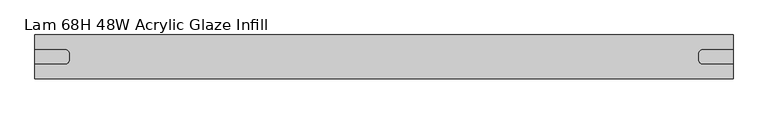
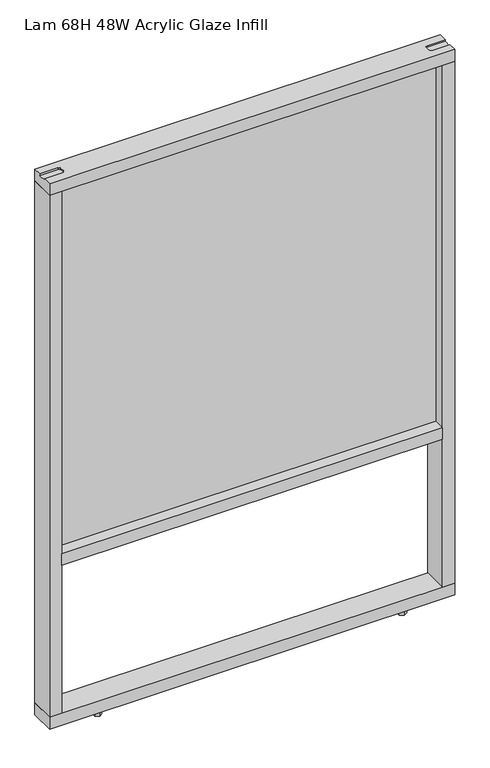
"""IFC4 building model written with IfcOpenShell, lengths in millimetres: furniture geometry, Lam 68H 48W Acrylic Glaze Infill."""

from ifc_helpers import new_model, si_unit, frame, origin, origin_with_axes, place, context, project, spatial, polyline, circle_curve, outline, extrude, faceted_brep, source, transform, mapped, element, save
from ifc_brep_helpers import plane_surface, revolved_surface, advanced_brep


def lam_68h_48w_acrylic_glaze_infill_cd1d17b7(model_context):
    return source(origin(), model_context, "Body", "SolidModel", [
        extrude(outline(polyline([(1185.164, 41.7322), (1185.164, 34.4678), (43.307, 34.4678), (43.307, 41.7322), (1185.164, 41.7322)])), frame((0.0, 0.0, 556.0822), z_axis=(0.0, 0.0, 1.0), x_axis=(1.0, 0.0, 0.0)), (0.0, 0.0, 1.0), 1149.8326),
        advanced_brep(
        [(1222.248, 0.0, 1742.9988), (6.223, 0.0, 1742.9988), (6.223, 0.0, 1705.9148), (1222.248, 0.0, 1705.9148), (1222.248, 76.2, 1742.9988), (1222.248, 76.2, 1705.9148), (6.223, 76.2, 1705.9148), (6.223, 76.2, 1742.9988), (1222.248, 25.3492, 1742.9988), (1168.273, 25.3492, 1742.9988), (1161.923, 31.6992, 1742.9988), (1161.923, 44.5008, 1742.9988), (1168.273, 50.8508, 1742.9988), (1222.248, 50.8508, 1742.9988), (6.223, 50.8508, 1742.9988), (60.198, 50.8508, 1742.9988), (66.548, 44.5008, 1742.9988), (66.548, 31.6992, 1742.9988), (60.198, 25.3492, 1742.9988), (6.223, 25.3492, 1742.9988), (6.223, 25.3492, 1737.9188), (6.223, 50.8508, 1737.9188), (1222.248, 50.8508, 1737.9188), (1222.248, 25.3492, 1737.9188), (60.198, 50.8508, 1737.9188), (60.198, 25.3492, 1737.9188), (66.548, 31.6992, 1737.9188), (66.548, 44.5008, 1737.9188), (1168.273, 50.8508, 1737.9188), (1161.923, 44.5008, 1737.9188), (1161.923, 31.6992, 1737.9188), (1168.273, 25.3492, 1737.9188)],
        [
            (0, 1),
            (1, 2),
            (2, 3),
            (3, 0),
            (4, 5),
            (5, 6),
            (6, 7),
            (7, 4),
            (0, 8),
            (8, 9),
            (9, 10, circle_curve(frame((1168.273, 31.6992, 1742.9988), z_axis=(0.0, 0.0, -1.0), x_axis=(1.0, 0.0, 0.0)), 6.35)),
            (10, 11),
            (11, 12, circle_curve(frame((1168.273, 44.5008, 1742.9988), z_axis=(0.0, 0.0, -1.0), x_axis=(1.0, 0.0, 0.0)), 6.35)),
            (12, 13),
            (13, 4),
            (7, 14),
            (14, 15),
            (15, 16, circle_curve(frame((60.198, 44.5008, 1742.9988), z_axis=(0.0, 0.0, -1.0), x_axis=(1.0, 0.0, 0.0)), 6.35)),
            (16, 17),
            (17, 18, circle_curve(frame((60.198, 31.6992, 1742.9988), z_axis=(0.0, 0.0, -1.0), x_axis=(1.0, 0.0, 0.0)), 6.35)),
            (18, 19),
            (19, 1),
            (19, 20),
            (20, 21),
            (21, 14),
            (6, 2),
            (5, 3),
            (13, 22),
            (22, 23),
            (23, 8),
            (24, 21),
            (20, 25),
            (25, 26, circle_curve(frame((60.198, 31.6992, 1737.9188), z_axis=(0.0, 0.0, 1.0), x_axis=(1.0, 0.0, 0.0)), 6.35)),
            (26, 27),
            (27, 24, circle_curve(frame((60.198, 44.5008, 1737.9188), z_axis=(0.0, 0.0, 1.0), x_axis=(1.0, 0.0, 0.0)), 6.35)),
            (28, 29, circle_curve(frame((1168.273, 44.5008, 1737.9188), z_axis=(0.0, 0.0, 1.0), x_axis=(1.0, 0.0, 0.0)), 6.35)),
            (29, 30),
            (30, 31, circle_curve(frame((1168.273, 31.6992, 1737.9188), z_axis=(0.0, 0.0, 1.0), x_axis=(1.0, 0.0, 0.0)), 6.35)),
            (31, 23),
            (22, 28),
            (24, 15),
            (18, 25),
            (17, 26),
            (16, 27),
            (28, 12),
            (11, 29),
            (10, 30),
            (9, 31),
        ],
        [
            plane_surface(frame((6.223, 0.0, 1742.9988), z_axis=(0.0, -1.0, 0.0), x_axis=(-1.0, 0.0, 0.0))),
            plane_surface(frame((6.223, 76.2, 1742.9988), z_axis=(0.0, 1.0, 0.0), x_axis=(1.0, 0.0, 0.0))),
            plane_surface(frame((1222.248, 0.0, 1742.9988), z_axis=(0.0, 0.0, 1.0), x_axis=(0.0, 1.0, 0.0))),
            plane_surface(frame((6.223, 0.0, 1742.9988), z_axis=(-1.0, 0.0, 0.0), x_axis=(0.0, 1.0, 0.0))),
            plane_surface(frame((6.223, 0.0, 1705.9148), z_axis=(0.0, 0.0, -1.0), x_axis=(0.0, 1.0, 0.0))),
            plane_surface(frame((1222.248, 0.0, 1705.9148), z_axis=(1.0, 0.0, 0.0), x_axis=(0.0, 1.0, 0.0))),
            plane_surface(frame((6.223, 50.8508, 1737.9188), z_axis=(0.0, 0.0, 1.0), x_axis=(1.0, 0.0, 0.0))),
            plane_surface(frame((60.198, 50.8508, 1806.6561967), z_axis=(0.0, -1.0, 0.0), x_axis=(0.0, 0.0, -1.0))),
            plane_surface(frame((6.223, 25.3492, 1806.6561967), z_axis=(0.0, 1.0, 0.0), x_axis=(0.0, 0.0, -1.0))),
            revolved_surface(polyline([(66.548, 31.6992, 1742.9988), (66.548, 31.6992, 1737.9188)]), (60.198, 31.6992, 1737.9188), (0.0, 0.0, 1.0)),
            plane_surface(frame((66.548, 31.6992, 1806.6561967), z_axis=(-1.0, 1.5140005651264145e-12, 0.0), x_axis=(0.0, 0.0, -1.0))),
            revolved_surface(polyline([(66.548, 44.5008, 1742.9988), (66.548, 44.5008, 1737.9188)]), (60.198, 44.5008, 1737.9188), (0.0, 0.0, 1.0)),
            revolved_surface(polyline([(1174.6229999999998, 44.5008, 1742.9988), (1174.6229999999998, 44.5008, 1737.9188)]), (1168.273, 44.5008, 0.0), (0.0, 0.0, 1.0)),
            plane_surface(frame((1161.923, 44.5008, 1806.6561967), z_axis=(1.0, 4.229421046181905e-12, 0.0), x_axis=(0.0, 0.0, -1.0))),
            revolved_surface(polyline([(1174.6229999999998, 31.6992, 1742.9988), (1174.6229999999998, 31.6992, 1737.9188)]), (1168.273, 31.6992, 0.0), (0.0, 0.0, 1.0)),
            plane_surface(frame((1168.273, 25.3492, 1806.6561967), z_axis=(0.0, 1.0, 0.0), x_axis=(0.0, 0.0, -1.0))),
            plane_surface(frame((1222.248, 50.8508, 1806.6561967), z_axis=(0.0, -1.0, 0.0), x_axis=(0.0, 0.0, -1.0))),
        ],
        [
            (0, [[1, 2, 3, 4]]),
            (1, [[5, 6, 7, 8]]),
            (2, [[-1, 9, 10, 11, 12, 13, 14, 15, -8, 16, 17, 18, 19, 20, 21, 22]]),
            (3, [[-2, -22, 23, 24, 25, -16, -7, 26]]),
            (4, [[-3, -26, -6, 27]]),
            (5, [[-4, -27, -5, -15, 28, 29, 30, -9]]),
            (6, [[31, -24, 32, 33, 34, 35]]),
            (6, [[36, 37, 38, 39, -29, 40]]),
            (7, [[-31, 41, -17, -25]]),
            (8, [[-32, -23, -21, 42]]),
            (9, [[-33, -42, -20, 43]]),
            (10, [[-34, -43, -19, 44]]),
            (11, [[-35, -44, -18, -41]]),
            (12, [[-36, 45, -13, 46]]),
            (13, [[-37, -46, -12, 47]]),
            (14, [[-38, -47, -11, 48]]),
            (15, [[-39, -48, -10, -30]]),
            (16, [[-40, -28, -14, -45]]),
        ],
    ),
        faceted_brep([(1222.248, 0.0, 49.784), (6.223, 0.0, 49.784), (6.223, 0.0, 12.7), (1222.248, 0.0, 12.7), (1222.248, 76.2, 49.784), (1222.248, 76.2, 12.7), (6.223, 76.2, 12.7), (6.223, 76.2, 49.784)], [[[0, 1, 2, 3]], [[4, 5, 6, 7]], [[1, 0, 4, 7]], [[3, 2, 6, 5]], [[0, 3, 5, 4]], [[2, 1, 7, 6]]]),
        extrude(outline(polyline([(1071.4355, 74.4965257), (1082.3575, 68.190706), (1082.3575, 55.5790667), (1071.4355, 49.2732471), (1060.5135, 55.5790667), (1060.5135, 68.190706), (1071.4355, 74.4965257)])), origin_with_axes(), (0.0, 0.0, 1.0), 12.7),
        extrude(outline(polyline([(1071.4355, 26.8756169), (1082.3575, 20.5697972), (1082.3575, 7.9581579), (1071.4355, 1.6523383), (1060.5135, 7.9581579), (1060.5135, 20.5697972), (1071.4355, 26.8756169)])), origin_with_axes(), (0.0, 0.0, 1.0), 12.7),
        extrude(outline(polyline([(157.0355, 74.4965257), (167.9575, 68.190706), (167.9575, 55.5790667), (157.0355, 49.2732471), (146.1135, 55.5790667), (146.1135, 68.190706), (157.0355, 74.4965257)])), origin_with_axes(), (0.0, 0.0, 1.0), 12.7),
        extrude(outline(polyline([(157.0355, 26.8756169), (167.9575, 20.5697972), (167.9575, 7.9581579), (157.0355, 1.6523383), (146.1135, 7.9581579), (146.1135, 20.5697972), (157.0355, 26.8756169)])), origin_with_axes(), (0.0, 0.0, 1.0), 12.7),
        extrude(outline(polyline([(1185.164, 0.0), (43.307, 0.0), (43.307, 76.2), (1185.164, 76.2), (1185.164, 0.0)])), frame((0.0, 0.0, 518.9982), z_axis=(0.0, 0.0, 1.0), x_axis=(1.0, 0.0, 0.0)), (0.0, 0.0, 1.0), 37.084),
        extrude(outline(polyline([(43.307, 0.0), (6.223, 0.0), (6.223, 76.2), (43.307, 76.2), (43.307, 0.0)])), frame((0.0, 0.0, 49.784), z_axis=(0.0, 0.0, 1.0), x_axis=(1.0, 0.0, 0.0)), (0.0, 0.0, 1.0), 1656.1308),
        extrude(outline(polyline([(1222.248, 0.0), (1185.164, 0.0), (1185.164, 76.2), (1222.248, 76.2), (1222.248, 0.0)])), frame((0.0, 0.0, 49.784), z_axis=(0.0, 0.0, 1.0), x_axis=(1.0, 0.0, 0.0)), (0.0, 0.0, 1.0), 1656.1308),
    ])


if __name__ == "__main__":
    model = new_model("IFC4")
    model_context = context("Model", 3, world=origin())
    ifc_project = project(units=[si_unit("LENGTHUNIT", "METRE", prefix="MILLI")], contexts=[model_context])
    site = spatial("IfcSite", under=ifc_project)
    building = spatial("IfcBuilding", under=site)
    placement = place(None, origin())
    lam_68h_48w_acrylic_glaze_infill_shape = lam_68h_48w_acrylic_glaze_infill_cd1d17b7(model_context)
    element("IfcFurniture", 1, ObjectType="Lam 68H 48W Acrylic Glaze Infill", at=placement, inside=building, context=model_context, shape_type="MappedRepresentation", body=[
        mapped(lam_68h_48w_acrylic_glaze_infill_shape, transform((0.0, 0.0, 0.0), x_axis=(1.0, 0.0, 0.0), y_axis=(0.0, 1.0, 0.0), z_axis=(0.0, 0.0, 1.0))),
    ])
    save(model, "model.ifc")
